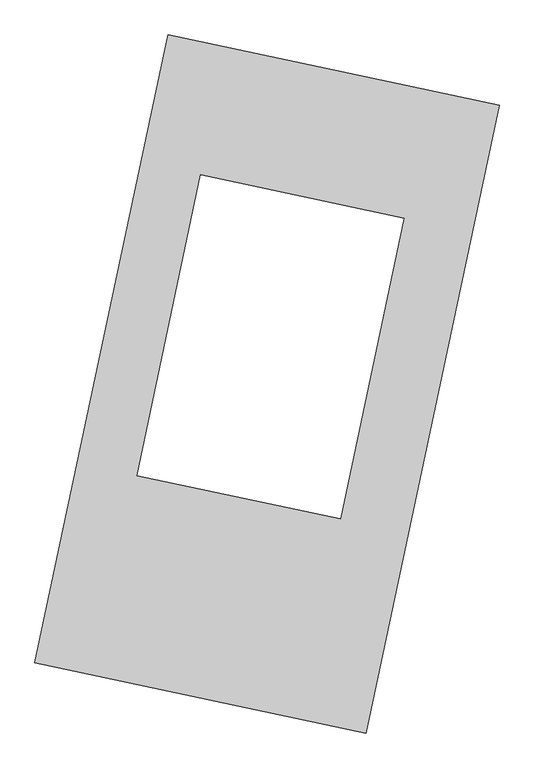
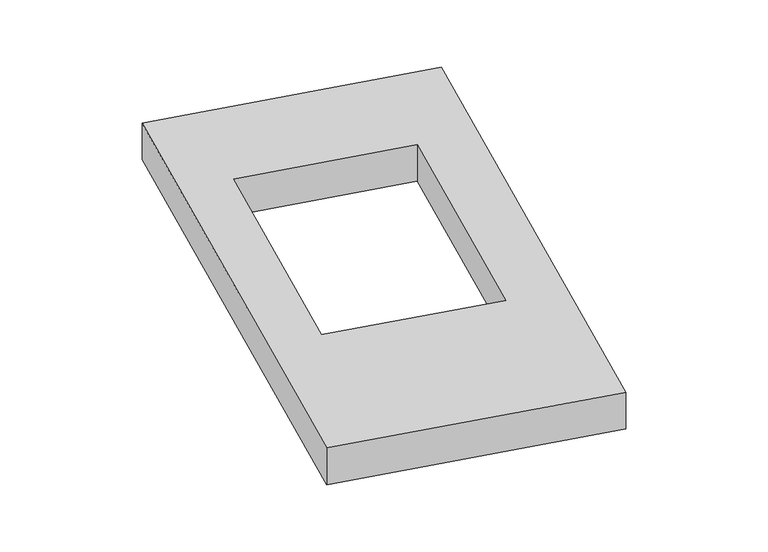
"""IFC4 building model written with IfcOpenShell, lengths in millimetres: proxy geometry."""

from ifc_helpers import new_model, si_unit, origin, origin_with_axes, place, context, project, spatial, polyline, outline, extrude, source, transform, mapped, element, save


def generic_models_464769f4(model_context):
    return source(origin(), model_context, "Body", "SweptSolid", [
        extrude(outline(polyline([(-617.3692021, 2175.5580432), (1447.7508745, 1737.3010494), (617.3692021, -2175.5580432), (-1447.7508745, -1737.3010494), (-617.3692021, 2175.5580432)]), holes=[polyline([(854.7069349, 1034.0128477), (-412.704777, 1302.9812496), (-810.5921262, -571.9121686), (456.8195857, -840.8805705), (854.7069349, 1034.0128477)])]), origin_with_axes(), (0.0, 0.0, 1.0), 300.0),
    ])


if __name__ == "__main__":
    model = new_model("IFC4")
    model_context = context("Model", 3, world=origin())
    ifc_project = project(units=[si_unit("LENGTHUNIT", "METRE", prefix="MILLI")], contexts=[model_context])
    site = spatial("IfcSite", under=ifc_project)
    building = spatial("IfcBuilding", under=site)
    placement = place(None, origin())
    generic_models_shape = generic_models_464769f4(model_context)
    element("IfcBuildingElementProxy", 1, Name="Generic Models", at=placement, inside=building, context=model_context, shape_type="MappedRepresentation", body=[
        mapped(generic_models_shape, transform((0.0, 0.0, 0.0), x_axis=(1.0, 0.0, 0.0), y_axis=(0.0, 1.0, 0.0), z_axis=(0.0, 0.0, 1.0))),
    ])
    save(model, "model.ifc")
